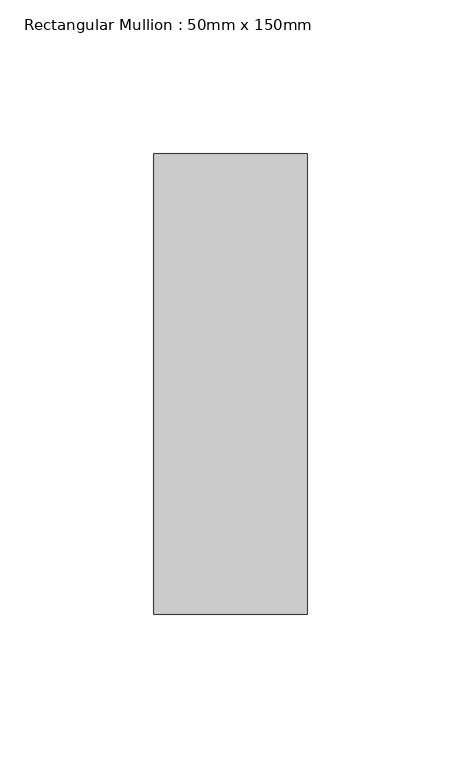
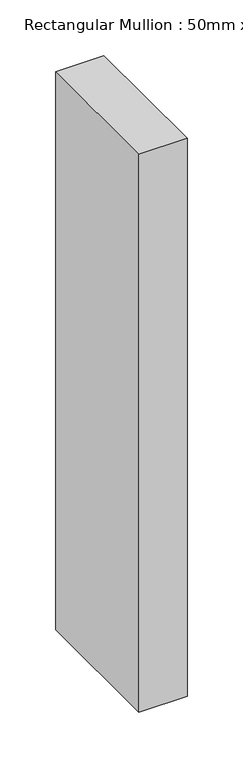
"""IFC4 building model written with IfcOpenShell, lengths in millimetres: member geometry, Rectangular Mullion : 50mm x 150mm."""

from ifc_helpers import new_model, si_unit, frame, origin, place, context, project, spatial, polyline, outline, extrude, source, transform, mapped, element, save


def rectangular_mullion_50mm_x_150mm_607ac2a4(model_context):
    return source(origin(), model_context, "Body", "SweptSolid", [
        extrude(outline(polyline([(0.0, 75.0), (0.0, -75.0), (-50.0, -75.0), (-50.0, 75.0), (0.0, 75.0)])), frame((0.0, 0.0, -612.6815724), z_axis=(0.0, 0.0, 1.0), x_axis=(1.0, 0.0, 0.0)), (0.0, 0.0, 1.0), 612.6815724),
    ])


if __name__ == "__main__":
    model = new_model("IFC4")
    model_context = context("Model", 3, world=origin())
    ifc_project = project(units=[si_unit("LENGTHUNIT", "METRE", prefix="MILLI")], contexts=[model_context])
    site = spatial("IfcSite", under=ifc_project)
    building = spatial("IfcBuilding", under=site)
    placement = place(None, origin())
    rectangular_mullion_50mm_x_150mm_shape = rectangular_mullion_50mm_x_150mm_607ac2a4(model_context)
    element("IfcMember", 1, ObjectType="Rectangular Mullion : 50mm x 150mm", at=placement, inside=building, context=model_context, shape_type="MappedRepresentation", body=[
        mapped(rectangular_mullion_50mm_x_150mm_shape, transform((0.0, 0.0, 0.0), x_axis=(1.0, 0.0, 0.0), y_axis=(0.0, 1.0, 0.0), z_axis=(0.0, 0.0, 1.0))),
    ])
    save(model, "model.ifc")
